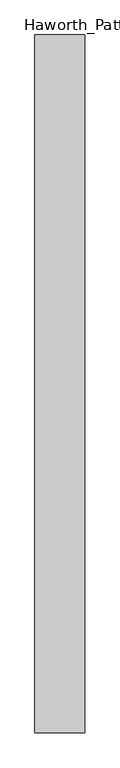
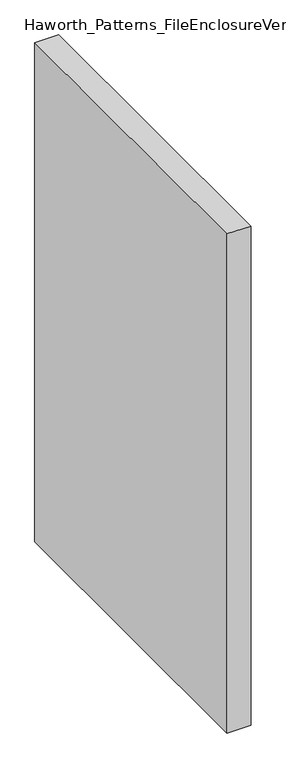
"""IFC4 building model written with IfcOpenShell, lengths in millimetres: furniture geometry, Haworth_Patterns_FileEnclosureVertical : 66.5h 42d."""

from ifc_helpers import new_model, si_unit, origin, origin_with_axes, place, context, project, spatial, polyline, outline, extrude, source, transform, mapped, element, save


def haworth_patterns_fileenclosurevertical_66_5h_42d_1e85f76c(model_context):
    return source(origin(), model_context, "Body", "SweptSolid", [
        extrude(outline(polyline([(-38.1, 0.0), (38.1, 0.0), (38.1, -1066.8), (-38.1, -1066.8), (-38.1, 0.0)])), origin_with_axes(), (0.0, 0.0, 1.0), 1689.1),
        extrude(outline(polyline([(38.1, 0.0), (38.1, -1066.8), (-38.1, -1066.8), (-38.1, 0.0), (38.1, 0.0)])), origin_with_axes(), (0.0, 0.0, 1.0), 1689.1),
    ])


if __name__ == "__main__":
    model = new_model("IFC4")
    model_context = context("Model", 3, world=origin())
    ifc_project = project(units=[si_unit("LENGTHUNIT", "METRE", prefix="MILLI")], contexts=[model_context])
    site = spatial("IfcSite", under=ifc_project)
    building = spatial("IfcBuilding", under=site)
    placement = place(None, origin())
    haworth_patterns_fileenclosurevertical_66_5h_42d_shape = haworth_patterns_fileenclosurevertical_66_5h_42d_1e85f76c(model_context)
    element("IfcFurniture", 1, ObjectType="Haworth_Patterns_FileEnclosureVertical : 66.5h 42d", at=placement, inside=building, context=model_context, shape_type="MappedRepresentation", body=[
        mapped(haworth_patterns_fileenclosurevertical_66_5h_42d_shape, transform((0.0, 0.0, 0.0), x_axis=(1.0, 0.0, 0.0), y_axis=(0.0, 1.0, 0.0), z_axis=(0.0, 0.0, 1.0))),
    ])
    save(model, "model.ifc")
